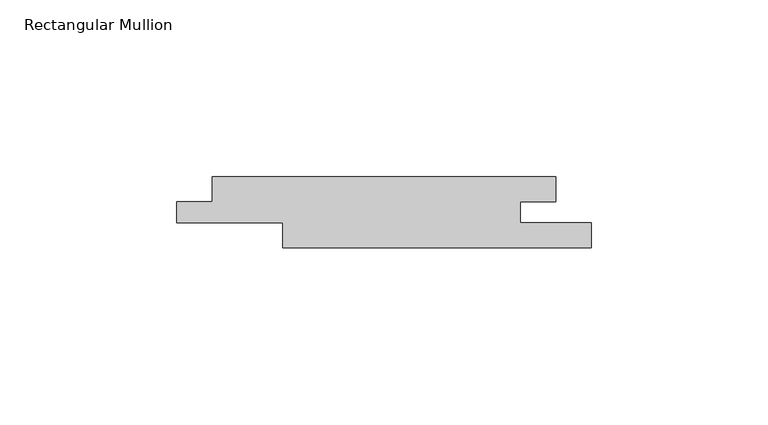
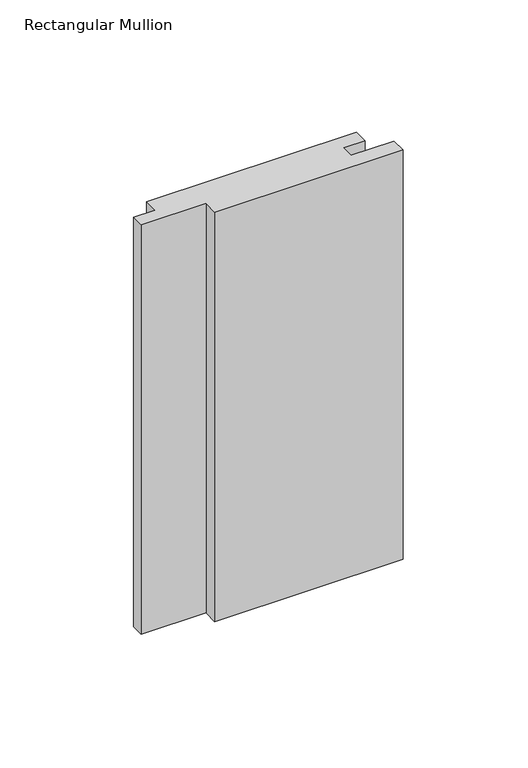
"""IFC4 building model written with IfcOpenShell, lengths in millimetres: member geometry, Rectangular Mullion."""

import ifcopenshell
import ifcopenshell.guid

model = None  # the IFC model being written
_history = None  # IfcOwnerHistory: only IFC2X3 demands one
_inside = {}  # id of a spatial element -> (the spatial element, [elements in it])
_under = {}  # id of a project, library or spatial element -> (it, [spatial elements below it])
_declared = {}  # id of a project -> (the project, [libraries it declares])
_typed = {}  # id of a type object -> (the type object, [elements of that type])
_made_of = {}  # id of a material, layer set ... -> (it, [elements and type objects made of it])


def new_model(schema):
    """Start an empty IFC model of exactly this schema.

    Asked for "IFC4X3", IfcOpenShell would pick the latest addendum, in which some entities
    have other attributes; the version numbers below select the first issue.
    IFC2X3 requires an IfcOwnerHistory on every rooted entity: one is made here for all.
    """
    global model, _history
    if schema == "IFC4X3":
        model = ifcopenshell.file(schema_version=(4, 3, 0, 0))
    else:
        model = ifcopenshell.file(schema=schema)
    _inside.clear()
    _under.clear()
    _declared.clear()
    _typed.clear()
    _made_of.clear()
    _history = None
    if model.schema == "IFC2X3":
        org = make("IfcOrganization", Name="unknown")
        user = make(
            "IfcPersonAndOrganization",
            ThePerson=make("IfcPerson", FamilyName="unknown"),
            TheOrganization=org,
        )
        app = make(
            "IfcApplication",
            ApplicationDeveloper=org,
            Version="unknown",
            ApplicationFullName="unknown",
            ApplicationIdentifier="unknown",
        )
        _history = make(
            "IfcOwnerHistory",
            OwningUser=user,
            OwningApplication=app,
            ChangeAction="ADDED",
            CreationDate=0,
        )
    return model


def make(cls, **values):
    """One entity of the class cls with the attributes given. An attribute that is None is left unset."""
    return model.create_entity(
        cls, **{name: value for name, value in values.items() if value is not None}
    )


def rooted(cls, **values):
    """An entity with a GlobalId (a new one), such as an element, a storey or a relation."""
    return make(cls, GlobalId=ifcopenshell.guid.new(), OwnerHistory=_history, **values)


def si_unit(unit_type, name, prefix=None):
    """IfcSIUnit, for example si_unit("LENGTHUNIT", "METRE", prefix="MILLI")."""
    return make("IfcSIUnit", UnitType=unit_type, Prefix=prefix, Name=name)


def assignment(units):
    """IfcUnitAssignment: the units of a project."""
    return None if units is None else make("IfcUnitAssignment", Units=units)


def point(xyz):
    """IfcCartesianPoint."""
    return None if xyz is None else make("IfcCartesianPoint", Coordinates=xyz)


def direction(xyz):
    """IfcDirection."""
    return None if xyz is None else make("IfcDirection", DirectionRatios=xyz)


def frame(location, z_axis=None, x_axis=None):
    """IfcAxis2Placement3D, a coordinate frame: its origin and axes. An axis left out is left unset."""
    return make(
        "IfcAxis2Placement3D",
        Location=point(location),
        Axis=direction(z_axis),
        RefDirection=direction(x_axis),
    )


def origin():
    """The frame at (0, 0, 0) with its axes left unset."""
    return frame((0.0, 0.0, 0.0))


def place(relative_to, where):
    """IfcLocalPlacement: puts the frame where relative to a parent placement (None: the world)."""
    return make(
        "IfcLocalPlacement", PlacementRelTo=relative_to, RelativePlacement=where
    )


def context(
    kind, dimensions, precision=None, world=None, true_north=None, identifier=None
):
    """IfcGeometricRepresentationContext, for example the 3D "Model" context."""
    return make(
        "IfcGeometricRepresentationContext",
        ContextIdentifier=identifier,
        ContextType=kind,
        CoordinateSpaceDimension=dimensions,
        Precision=precision,
        WorldCoordinateSystem=world,
        TrueNorth=true_north,
    )


def project(units=None, contexts=None):
    """IfcProject with its units and contexts."""
    return rooted(
        "IfcProject",
        Name="project",
        RepresentationContexts=contexts,
        UnitsInContext=assignment(units),
    )


def spatial(cls, under=None, at=None, **own):
    """A site, building, storey or space (cls), placed at a placement, below another one or the project."""
    s = rooted(cls, ObjectPlacement=at, **own)
    if under is not None:
        _under.setdefault(under.id(), (under, []))[1].append(s)
    return s


def polyline(points):
    """IfcPolyline through the points."""
    return make("IfcPolyline", Points=[point(p) for p in points])


def outline(outer, holes=None, kind="AREA"):
    """IfcArbitraryClosedProfileDef: a profile drawn as a closed curve; with holes, ...WithVoids."""
    if holes is None:
        return make("IfcArbitraryClosedProfileDef", ProfileType=kind, OuterCurve=outer)
    return make(
        "IfcArbitraryProfileDefWithVoids",
        ProfileType=kind,
        OuterCurve=outer,
        InnerCurves=holes,
    )


def extrude(swept, where, along, depth):
    """IfcExtrudedAreaSolid: the profile swept, set in the frame where, extruded along a direction by depth."""
    return make(
        "IfcExtrudedAreaSolid",
        SweptArea=swept,
        Position=where,
        ExtrudedDirection=direction(along),
        Depth=depth,
    )


def shape(context_of_items, identifier, shape_type, items):
    """IfcShapeRepresentation: the items that make up one representation, for example the "Body"."""
    return make(
        "IfcShapeRepresentation",
        ContextOfItems=context_of_items,
        RepresentationIdentifier=identifier,
        RepresentationType=shape_type,
        Items=items,
    )


def source(mapping_origin, context_of_items, identifier, shape_type, items):
    """IfcRepresentationMap: a shape defined once, which mapped items show again and again."""
    return make(
        "IfcRepresentationMap",
        MappingOrigin=mapping_origin,
        MappedRepresentation=shape(context_of_items, identifier, shape_type, items),
    )


def transform(
    local_origin,
    x_axis=None,
    y_axis=None,
    z_axis=None,
    scale=None,
    scale2=None,
    scale3=None,
    uniform=True,
):
    """IfcCartesianTransformationOperator3D, or its non-uniform kind. x_axis, y_axis, z_axis: its Axis1, 2, 3."""
    if uniform:
        return make(
            "IfcCartesianTransformationOperator3D",
            Axis1=direction(x_axis),
            Axis2=direction(y_axis),
            LocalOrigin=point(local_origin),
            Scale=scale,
            Axis3=direction(z_axis),
        )
    return make(
        "IfcCartesianTransformationOperator3DnonUniform",
        Axis1=direction(x_axis),
        Axis2=direction(y_axis),
        LocalOrigin=point(local_origin),
        Scale=scale,
        Axis3=direction(z_axis),
        Scale2=scale2,
        Scale3=scale3,
    )


def mapped(mapping_source, mapping_target):
    """IfcMappedItem: shows the shape of a source again, moved by a transform."""
    return make(
        "IfcMappedItem", MappingSource=mapping_source, MappingTarget=mapping_target
    )


def made_of(thing, what):
    """Note that an element or type object is made of a material, layer set ...; save() writes the relation."""
    if what is not None:
        _made_of.setdefault(what.id(), (what, []))[1].append(thing)
    return thing


def element(
    cls,
    number,
    at=None,
    inside=None,
    cuts=None,
    type_object=None,
    material=None,
    context=None,
    identifier="Body",
    shape_type=None,
    held_by="IfcProductDefinitionShape",
    body=None,
    shapes=None,
    **own,
):
    """One element of the class cls, such as IfcWall. Its Tag is "e" and its number.

    at: its placement. inside: the storey or other place that contains it. cuts: it is an
    opening in that element (IfcRelVoidsElement). A single representation is given by context,
    identifier, shape_type and body (its items); several are given by shapes. held_by: the class
    of the entity that holds the representations. save() writes the other relations.
    """
    e = rooted(cls, Tag="e%d" % number, ObjectPlacement=at, **own)
    if body is not None:
        shapes = [shape(context, identifier, shape_type, body)]
    if shapes is not None:
        e.Representation = make(held_by, Representations=shapes)
    if inside is not None:
        _inside.setdefault(inside.id(), (inside, []))[1].append(e)
    if cuts is not None:
        rooted(
            "IfcRelVoidsElement", RelatingBuildingElement=cuts, RelatedOpeningElement=e
        )
    if type_object is not None:
        _typed.setdefault(type_object.id(), (type_object, []))[1].append(e)
    return made_of(e, material)


def aggregate(whole, parts):
    """IfcRelAggregates: a whole, such as a stair, and the parts it consists of."""
    return rooted("IfcRelAggregates", RelatingObject=whole, RelatedObjects=parts)


def save(model, path):
    """Write the relations noted so far, then the file.

    IfcRelAggregates (storeys below a building ...), IfcRelContainedInSpatialStructure (elements
    in a storey), IfcRelDefinesByType, IfcRelAssociatesMaterial and IfcRelDeclares: one each for
    every whole, place, type object, material and project.
    """
    for whole, parts in _under.values():
        aggregate(whole, parts)
    for where, things in _inside.values():
        rooted(
            "IfcRelContainedInSpatialStructure",
            RelatedElements=things,
            RelatingStructure=where,
        )
    for kind, things in _typed.values():
        rooted("IfcRelDefinesByType", RelatedObjects=things, RelatingType=kind)
    for what, things in _made_of.values():
        rooted("IfcRelAssociatesMaterial", RelatedObjects=things, RelatingMaterial=what)
    for by, libraries in _declared.values():
        rooted("IfcRelDeclares", RelatingContext=by, RelatedDefinitions=libraries)
    model.write(path)


def rectangular_mullion_a95e2a8c(model_context):
    return source(origin(), model_context, "Body", "SweptSolid", [
        extrude(outline(polyline([(-117.0, -7.0), (-107.0378982, -7.0), (-107.0378982, 0.0), (-10.0, 0.0), (-10.0, -7.0), (-20.0, -7.0), (-20.0, -13.0), (0.0, -13.0), (0.0, -20.0), (-87.0378982, -20.0), (-87.0378982, -13.0), (-117.0, -13.0), (-117.0, -7.0)])), frame((0.0, 0.0, -200.0), z_axis=(0.0, 0.0, 1.0), x_axis=(1.0, 0.0, 0.0)), (0.0, 0.0, 1.0), 200.0),
    ])


if __name__ == "__main__":
    model = new_model("IFC4")
    model_context = context("Model", 3, world=origin())
    ifc_project = project(units=[si_unit("LENGTHUNIT", "METRE", prefix="MILLI")], contexts=[model_context])
    site = spatial("IfcSite", under=ifc_project)
    building = spatial("IfcBuilding", under=site)
    placement = place(None, origin())
    rectangular_mullion_shape = rectangular_mullion_a95e2a8c(model_context)
    element("IfcMember", 1, ObjectType="Rectangular Mullion", at=placement, inside=building, context=model_context, shape_type="MappedRepresentation", body=[
        mapped(rectangular_mullion_shape, transform((0.0, 0.0, 0.0), x_axis=(1.0, 0.0, 0.0), y_axis=(0.0, 1.0, 0.0), z_axis=(0.0, 0.0, 1.0))),
    ])
    save(model, "model.ifc")
